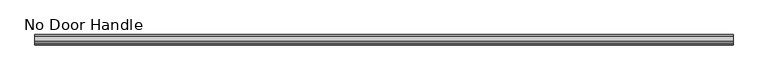
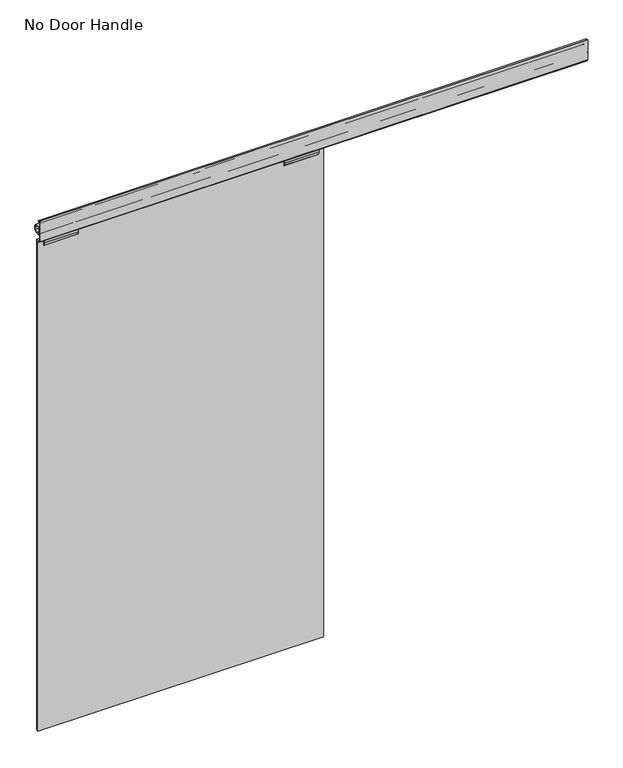
"""IFC4 building model written with IfcOpenShell, lengths in millimetres: furniture geometry, No Door Handle."""

from ifc_helpers import new_model, si_unit, point, frame, frame_2d, origin, place, context, project, spatial, polyline, circle_curve, trimmed, segment, composite_curve, outline, extrude, source, transform, mapped, element, save


def no_door_handle_fc3aa003(model_context):
    return source(origin(), model_context, "Body", "SweptSolid", [
        extrude(outline(polyline([(-16.5141672, 2212.851175), (-16.5141672, 2205.3189439), (-10.1641672, 2205.3189439), (-6.1763672, 2209.3067439), (-5.6195913, 2208.749968), (-9.8380154, 2204.5315439), (-16.5141672, 2204.5315439), (-16.5141672, 2125.6729446), (-13.0142711, 2120.674575), (-11.1901919, 2120.674575), (-11.1901919, 2119.887175), (-13.3931579, 2119.887175), (-17.3015672, 2125.4689619), (-17.3015672, 2212.851175), (-16.5141672, 2212.851175)])), frame((0.0, 0.0, 0.0), z_axis=(1.0, 0.0, 0.0), x_axis=(0.0, 1.0, 0.0)), (0.0, 0.0, 1.0), 2241.3722),
        extrude(outline(composite_curve([segment(polyline([(10.16, 2182.879175), (10.16, 2177.9076009)]), True, "CONTINUOUS"), segment(trimmed(circle_curve(frame_2d((12.8870929, 2177.9076009)), 2.7270929), [point((10.16, 2177.9076009))], [point((12.8870929, 2175.180508))], True, "CARTESIAN"), True, "CONTINUOUS"), segment(polyline([(12.8870929, 2175.180508), (16.51, 2175.180508), (16.51, 2158.0447505), (8.3244245, 2149.859175), (4.7752, 2149.859175), (4.7752, 2150.646575), (7.9982727, 2150.646575), (15.7226, 2158.3709023), (15.7226, 2174.393108), (12.8870929, 2174.393108)]), True, "CONTINUOUS"), segment(trimmed(circle_curve(frame_2d((12.8870929, 2177.9076009)), 3.5144929), [point((12.8870929, 2174.393108))], [point((9.3726, 2177.9076009))], False, "CARTESIAN"), True, "CONTINUOUS"), segment(polyline([(9.3726, 2177.9076009), (9.3726, 2182.091775), (-9.3726, 2182.091775), (-9.3726, 2177.9076009)]), True, "CONTINUOUS"), segment(trimmed(circle_curve(frame_2d((-12.8870929, 2177.9076009)), 3.5144929), [point((-9.3726, 2177.9076009))], [point((-12.8870929, 2174.393108))], False, "CARTESIAN"), True, "CONTINUOUS"), segment(polyline([(-12.8870929, 2174.393108), (-15.7226, 2174.393108), (-15.7226, 2158.3709023), (-7.9982728, 2150.646575), (-4.7752, 2150.646575), (-4.7752, 2149.859175), (-8.3244245, 2149.859175), (-16.51, 2158.0447505), (-16.51, 2175.180508), (-12.8870929, 2175.180508)]), True, "CONTINUOUS"), segment(trimmed(circle_curve(frame_2d((-12.8870929, 2177.9076009)), 2.7270929), [point((-12.8870929, 2175.180508))], [point((-10.16, 2177.9076009))], True, "CARTESIAN"), True, "CONTINUOUS"), segment(polyline([(-10.16, 2177.9076009), (-10.16, 2182.879175), (10.16, 2182.879175)]), True, "CONTINUOUS")], self_intersect=False)), frame((0.0, 0.0, 0.0), z_axis=(1.0, 0.0, 0.0), x_axis=(0.0, 1.0, 0.0)), (0.0, 0.0, 1.0), 2241.3722),
        extrude(outline(polyline([(-4.7752, 2095.6749893), (-7.2389598, 2095.6749893), (-8.5628933, 2096.1759762), (-9.223627, 2097.4277893), (-10.4999844, 2107.6749836), (-10.4999844, 2131.8752506), (-9.4999818, 2133.5489857), (-9.4999818, 2141.6750885), (-8.9141937, 2143.0892464), (-7.4999813, 2143.6749664), (7.5000184, 2143.6749664), (8.9142307, 2143.0892464), (9.5000167, 2141.6750885), (9.5000167, 2133.5489857), (10.5000169, 2131.8752506), (10.5000169, 2107.6749836), (9.2236618, 2097.4277893), (8.5629304, 2096.1759762), (7.2389969, 2095.6749893), (4.7752, 2095.6749893), (4.7752, 2120.674575), (-4.7752, 2120.674575), (-4.7752, 2095.6749893)])), frame((1004.9679634, 0.0, 0.0), z_axis=(1.0, 0.0, 0.0), x_axis=(0.0, 1.0, 0.0)), (0.0, 0.0, 1.0), 140.0000124),
        extrude(outline(polyline([(-4.7752, 2095.6749893), (-7.2389598, 2095.6749893), (-8.5628933, 2096.1759762), (-9.223627, 2097.4277893), (-10.4999844, 2107.6749836), (-10.4999844, 2131.8752506), (-9.4999818, 2133.5489857), (-9.4999818, 2141.6750885), (-8.9141937, 2143.0892464), (-7.4999813, 2143.6749664), (7.5000184, 2143.6749664), (8.9142307, 2143.0892464), (9.5000167, 2141.6750885), (9.5000167, 2133.5489857), (10.5000169, 2131.8752506), (10.5000169, 2107.6749836), (9.2236618, 2097.4277893), (8.5629304, 2096.1759762), (7.2389969, 2095.6749893), (4.7752, 2095.6749893), (4.7752, 2120.674575), (-4.7752, 2120.674575), (-4.7752, 2095.6749893)])), frame((22.3398451, 0.0, 0.0), z_axis=(1.0, 0.0, 0.0), x_axis=(0.0, 1.0, 0.0)), (0.0, 0.0, 1.0), 139.9999915),
        extrude(outline(polyline([(1167.3078, 4.7752), (1167.3078, -4.7752), (0.0, -4.7752), (0.0, 4.7752), (1167.3078, 4.7752)])), frame((0.0, 0.0, 2.9972), z_axis=(0.0, 0.0, 1.0), x_axis=(1.0, 0.0, 0.0)), (0.0, 0.0, 1.0), 2118.868),
    ])


if __name__ == "__main__":
    model = new_model("IFC4")
    model_context = context("Model", 3, world=origin())
    ifc_project = project(units=[si_unit("LENGTHUNIT", "METRE", prefix="MILLI")], contexts=[model_context])
    site = spatial("IfcSite", under=ifc_project)
    building = spatial("IfcBuilding", under=site)
    placement = place(None, origin())
    no_door_handle_shape = no_door_handle_fc3aa003(model_context)
    element("IfcFurniture", 1, ObjectType="No Door Handle", at=placement, inside=building, context=model_context, shape_type="MappedRepresentation", body=[
        mapped(no_door_handle_shape, transform((0.0, 0.0, 0.0), x_axis=(1.0, 0.0, 0.0), y_axis=(0.0, 1.0, 0.0), z_axis=(0.0, 0.0, 1.0))),
    ])
    save(model, "model.ifc")
